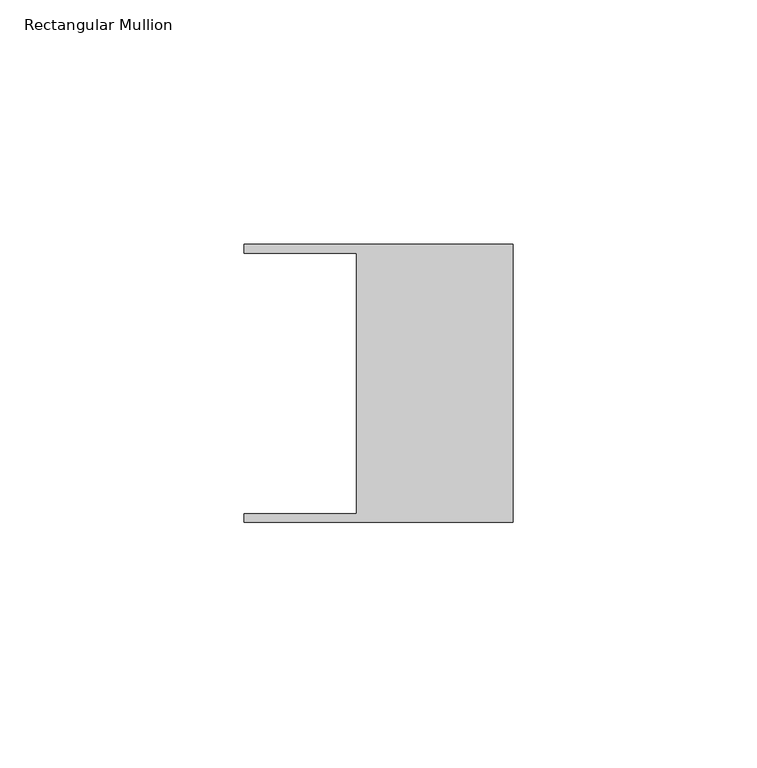
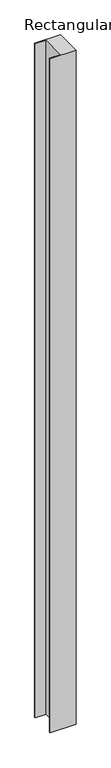
"""IFC4 building model written with IfcOpenShell, lengths in millimetres: member geometry, Rectangular Mullion."""

from ifc_helpers import new_model, si_unit, frame, origin, place, context, project, spatial, polyline, outline, extrude, source, transform, mapped, element, save


def rectangular_mullion_c1b0fef6(model_context):
    return source(origin(), model_context, "Body", "SweptSolid", [
        extrude(outline(polyline([(-32.004, 26.67), (-54.991, 26.67), (-54.991, 28.448), (0.0, 28.448), (0.0, -28.448), (-54.991, -28.448), (-54.991, -26.67), (-32.004, -26.67), (-32.004, 26.67)])), frame((0.0, 0.0, -1515.7958), z_axis=(0.0, 0.0, 1.0), x_axis=(1.0, 0.0, 0.0)), (0.0, 0.0, 1.0), 1515.7958),
    ])


if __name__ == "__main__":
    model = new_model("IFC4")
    model_context = context("Model", 3, world=origin())
    ifc_project = project(units=[si_unit("LENGTHUNIT", "METRE", prefix="MILLI")], contexts=[model_context])
    site = spatial("IfcSite", under=ifc_project)
    building = spatial("IfcBuilding", under=site)
    placement = place(None, origin())
    rectangular_mullion_shape = rectangular_mullion_c1b0fef6(model_context)
    element("IfcMember", 1, ObjectType="Rectangular Mullion", at=placement, inside=building, context=model_context, shape_type="MappedRepresentation", body=[
        mapped(rectangular_mullion_shape, transform((0.0, 0.0, 0.0), x_axis=(1.0, 0.0, 0.0), y_axis=(0.0, 1.0, 0.0), z_axis=(0.0, 0.0, 1.0))),
    ])
    save(model, "model.ifc")
